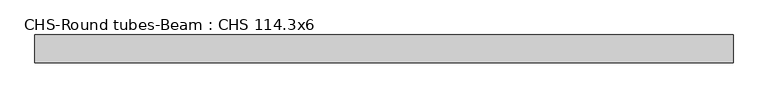
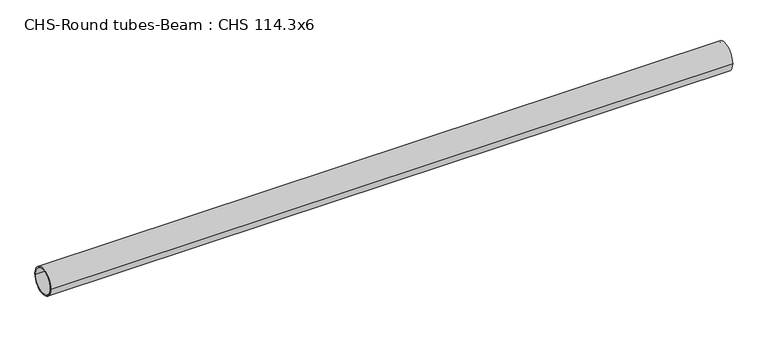
"""IFC4 building model written with IfcOpenShell, lengths in millimetres: beam geometry, CHS-Round tubes-Beam : CHS 114.3x6."""

from ifc_helpers import new_model, si_unit, point, frame, origin, origin_2d, place, context, project, spatial, circle_curve, trimmed, segment, composite_curve, outline, extrude, source, transform, mapped, element, save


def chs_round_tubes_beam_chs_114_3x6_96052762(model_context):
    return source(origin(), model_context, "Body", "SweptSolid", [
        extrude(outline(composite_curve([segment(trimmed(circle_curve(origin_2d(), 57.15), [point((57.15, 0.0))], [point((-57.15, 0.0))], False, "CARTESIAN"), True, "CONTINUOUS"), segment(trimmed(circle_curve(origin_2d(), 57.15), [point((-57.15, 0.0))], [point((57.15, 0.0))], False, "CARTESIAN"), True, "CONTINUOUS")], self_intersect=False), holes=[composite_curve([segment(trimmed(circle_curve(origin_2d(), 51.15), [point((51.15, 0.0))], [point((-51.15, 0.0))], True, "CARTESIAN"), True, "CONTINUOUS"), segment(trimmed(circle_curve(origin_2d(), 51.15), [point((-51.15, 0.0))], [point((51.15, 0.0))], True, "CARTESIAN"), True, "CONTINUOUS")], self_intersect=False)]), frame((-1404.851706, 0.0, 0.0), z_axis=(1.0, 0.0, 0.0), x_axis=(0.0, 1.0, 0.0)), (0.0, 0.0, 1.0), 2841.3128893),
    ])


if __name__ == "__main__":
    model = new_model("IFC4")
    model_context = context("Model", 3, world=origin())
    ifc_project = project(units=[si_unit("LENGTHUNIT", "METRE", prefix="MILLI")], contexts=[model_context])
    site = spatial("IfcSite", under=ifc_project)
    building = spatial("IfcBuilding", under=site)
    placement = place(None, origin())
    chs_round_tubes_beam_chs_114_3x6_shape = chs_round_tubes_beam_chs_114_3x6_96052762(model_context)
    element("IfcBeam", 1, ObjectType="CHS-Round tubes-Beam : CHS 114.3x6", at=placement, inside=building, context=model_context, shape_type="MappedRepresentation", body=[
        mapped(chs_round_tubes_beam_chs_114_3x6_shape, transform((0.0, 0.0, 0.0), x_axis=(1.0, 0.0, 0.0), y_axis=(0.0, 1.0, 0.0), z_axis=(0.0, 0.0, 1.0))),
    ])
    save(model, "model.ifc")
